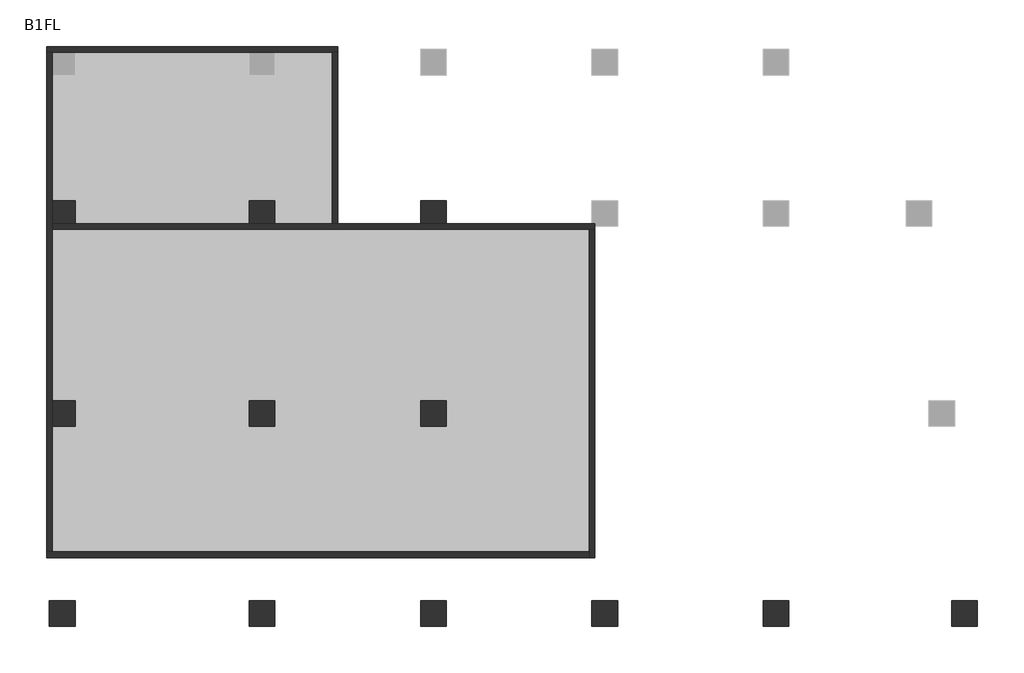
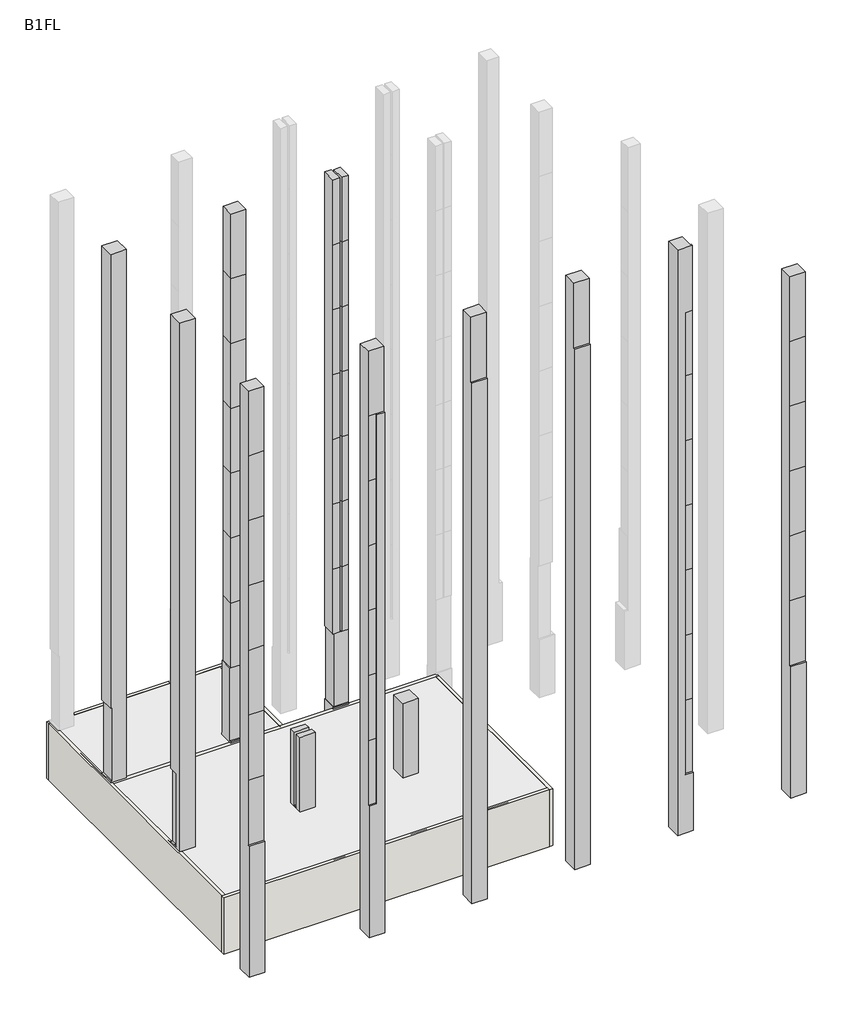
# One storey, part 1 of 2: 12 columns, 6 walls.
"""IFC4 building model written with IfcOpenShell, lengths in millimetres."""

import ifcopenshell
import ifcopenshell.guid

model = None  # the IFC model being written
_history = None  # IfcOwnerHistory: only IFC2X3 demands one
_inside = {}  # id of a spatial element -> (the spatial element, [elements in it])
_under = {}  # id of a project, library or spatial element -> (it, [spatial elements below it])
_declared = {}  # id of a project -> (the project, [libraries it declares])
_typed = {}  # id of a type object -> (the type object, [elements of that type])
_made_of = {}  # id of a material, layer set ... -> (it, [elements and type objects made of it])


def new_model(schema):
    """Start an empty IFC model of exactly this schema.

    Asked for "IFC4X3", IfcOpenShell would pick the latest addendum, in which some entities
    have other attributes; the version numbers below select the first issue.
    IFC2X3 requires an IfcOwnerHistory on every rooted entity: one is made here for all.
    """
    global model, _history
    if schema == "IFC4X3":
        model = ifcopenshell.file(schema_version=(4, 3, 0, 0))
    else:
        model = ifcopenshell.file(schema=schema)
    _inside.clear()
    _under.clear()
    _declared.clear()
    _typed.clear()
    _made_of.clear()
    _history = None
    if model.schema == "IFC2X3":
        org = make("IfcOrganization", Name="unknown")
        user = make(
            "IfcPersonAndOrganization",
            ThePerson=make("IfcPerson", FamilyName="unknown"),
            TheOrganization=org,
        )
        app = make(
            "IfcApplication",
            ApplicationDeveloper=org,
            Version="unknown",
            ApplicationFullName="unknown",
            ApplicationIdentifier="unknown",
        )
        _history = make(
            "IfcOwnerHistory",
            OwningUser=user,
            OwningApplication=app,
            ChangeAction="ADDED",
            CreationDate=0,
        )
    return model


def make(cls, **values):
    """One entity of the class cls with the attributes given. An attribute that is None is left unset."""
    return model.create_entity(
        cls, **{name: value for name, value in values.items() if value is not None}
    )


def rooted(cls, **values):
    """An entity with a GlobalId (a new one), such as an element, a storey or a relation."""
    return make(cls, GlobalId=ifcopenshell.guid.new(), OwnerHistory=_history, **values)


def si_unit(unit_type, name, prefix=None):
    """IfcSIUnit, for example si_unit("LENGTHUNIT", "METRE", prefix="MILLI")."""
    return make("IfcSIUnit", UnitType=unit_type, Prefix=prefix, Name=name)


def assignment(units):
    """IfcUnitAssignment: the units of a project."""
    return None if units is None else make("IfcUnitAssignment", Units=units)


def point(xyz):
    """IfcCartesianPoint."""
    return None if xyz is None else make("IfcCartesianPoint", Coordinates=xyz)


def direction(xyz):
    """IfcDirection."""
    return None if xyz is None else make("IfcDirection", DirectionRatios=xyz)


def frame(location, z_axis=None, x_axis=None):
    """IfcAxis2Placement3D, a coordinate frame: its origin and axes. An axis left out is left unset."""
    return make(
        "IfcAxis2Placement3D",
        Location=point(location),
        Axis=direction(z_axis),
        RefDirection=direction(x_axis),
    )


def origin():
    """The frame at (0, 0, 0) with its axes left unset."""
    return frame((0.0, 0.0, 0.0))


def place(relative_to, where):
    """IfcLocalPlacement: puts the frame where relative to a parent placement (None: the world)."""
    return make(
        "IfcLocalPlacement", PlacementRelTo=relative_to, RelativePlacement=where
    )


def context(
    kind, dimensions, precision=None, world=None, true_north=None, identifier=None
):
    """IfcGeometricRepresentationContext, for example the 3D "Model" context."""
    return make(
        "IfcGeometricRepresentationContext",
        ContextIdentifier=identifier,
        ContextType=kind,
        CoordinateSpaceDimension=dimensions,
        Precision=precision,
        WorldCoordinateSystem=world,
        TrueNorth=true_north,
    )


def project(units=None, contexts=None):
    """IfcProject with its units and contexts."""
    return rooted(
        "IfcProject",
        Name="project",
        RepresentationContexts=contexts,
        UnitsInContext=assignment(units),
    )


def spatial(cls, under=None, at=None, **own):
    """A site, building, storey or space (cls), placed at a placement, below another one or the project."""
    s = rooted(cls, ObjectPlacement=at, **own)
    if under is not None:
        _under.setdefault(under.id(), (under, []))[1].append(s)
    return s


def polyline(points):
    """IfcPolyline through the points."""
    return make("IfcPolyline", Points=[point(p) for p in points])


def outline(outer, holes=None, kind="AREA"):
    """IfcArbitraryClosedProfileDef: a profile drawn as a closed curve; with holes, ...WithVoids."""
    if holes is None:
        return make("IfcArbitraryClosedProfileDef", ProfileType=kind, OuterCurve=outer)
    return make(
        "IfcArbitraryProfileDefWithVoids",
        ProfileType=kind,
        OuterCurve=outer,
        InnerCurves=holes,
    )


def extrude(swept, where, along, depth):
    """IfcExtrudedAreaSolid: the profile swept, set in the frame where, extruded along a direction by depth."""
    return make(
        "IfcExtrudedAreaSolid",
        SweptArea=swept,
        Position=where,
        ExtrudedDirection=direction(along),
        Depth=depth,
    )


def faces_of(points, faces, orient=None, outer=None):
    """IfcFace entities. A face is a list of loops; a loop is a list of indices into points, from 0.

    orient and outer hold one flag for each loop. By default every Orientation is true, the
    first loop of a face is its IfcFaceOuterBound and the others are IfcFaceBound.
    """
    made = []
    for i, loops in enumerate(faces):
        bounds = []
        for j, loop in enumerate(loops):
            is_outer = j == 0 if outer is None else outer[i][j]
            bounds.append(
                make(
                    "IfcFaceOuterBound" if is_outer else "IfcFaceBound",
                    Bound=make("IfcPolyLoop", Polygon=[points[k] for k in loop]),
                    Orientation=True if orient is None else orient[i][j],
                )
            )
        made.append(make("IfcFace", Bounds=bounds))
    return made


def faceted_brep(points, faces, orient=None, outer=None, voids=None):
    """IfcFacetedBrep: a solid bounded by flat faces; with voids (closed shells), ...WithVoids."""
    shared = [point(p) for p in points]
    hull = make("IfcClosedShell", CfsFaces=faces_of(shared, faces, orient, outer))
    if voids is None:
        return make("IfcFacetedBrep", Outer=hull)
    return make(
        "IfcFacetedBrepWithVoids",
        Outer=hull,
        Voids=[
            make(cls, CfsFaces=faces_of(shared, fs, o, b)) for cls, fs, o, b in voids
        ],
    )


def shape(context_of_items, identifier, shape_type, items):
    """IfcShapeRepresentation: the items that make up one representation, for example the "Body"."""
    return make(
        "IfcShapeRepresentation",
        ContextOfItems=context_of_items,
        RepresentationIdentifier=identifier,
        RepresentationType=shape_type,
        Items=items,
    )


def made_of(thing, what):
    """Note that an element or type object is made of a material, layer set ...; save() writes the relation."""
    if what is not None:
        _made_of.setdefault(what.id(), (what, []))[1].append(thing)
    return thing


def element(
    cls,
    number,
    at=None,
    inside=None,
    cuts=None,
    type_object=None,
    material=None,
    context=None,
    identifier="Body",
    shape_type=None,
    held_by="IfcProductDefinitionShape",
    body=None,
    shapes=None,
    **own,
):
    """One element of the class cls, such as IfcWall. Its Tag is "e" and its number.

    at: its placement. inside: the storey or other place that contains it. cuts: it is an
    opening in that element (IfcRelVoidsElement). A single representation is given by context,
    identifier, shape_type and body (its items); several are given by shapes. held_by: the class
    of the entity that holds the representations. save() writes the other relations.
    """
    e = rooted(cls, Tag="e%d" % number, ObjectPlacement=at, **own)
    if body is not None:
        shapes = [shape(context, identifier, shape_type, body)]
    if shapes is not None:
        e.Representation = make(held_by, Representations=shapes)
    if inside is not None:
        _inside.setdefault(inside.id(), (inside, []))[1].append(e)
    if cuts is not None:
        rooted(
            "IfcRelVoidsElement", RelatingBuildingElement=cuts, RelatedOpeningElement=e
        )
    if type_object is not None:
        _typed.setdefault(type_object.id(), (type_object, []))[1].append(e)
    return made_of(e, material)


def aggregate(whole, parts):
    """IfcRelAggregates: a whole, such as a stair, and the parts it consists of."""
    return rooted("IfcRelAggregates", RelatingObject=whole, RelatedObjects=parts)


def save(model, path):
    """Write the relations noted so far, then the file.

    IfcRelAggregates (storeys below a building ...), IfcRelContainedInSpatialStructure (elements
    in a storey), IfcRelDefinesByType, IfcRelAssociatesMaterial and IfcRelDeclares: one each for
    every whole, place, type object, material and project.
    """
    for whole, parts in _under.values():
        aggregate(whole, parts)
    for where, things in _inside.values():
        rooted(
            "IfcRelContainedInSpatialStructure",
            RelatedElements=things,
            RelatingStructure=where,
        )
    for kind, things in _typed.values():
        rooted("IfcRelDefinesByType", RelatedObjects=things, RelatingType=kind)
    for what, things in _made_of.values():
        rooted("IfcRelAssociatesMaterial", RelatedObjects=things, RelatingMaterial=what)
    for by, libraries in _declared.values():
        rooted("IfcRelDeclares", RelatingContext=by, RelatedDefinitions=libraries)
    model.write(path)


model = new_model("IFC4")

# Units and contexts
model_context = context("Model", 3, world=origin())
ifc_project = project(units=[si_unit("LENGTHUNIT", "METRE", prefix="MILLI")], contexts=[model_context])

# Site, building, storey
site = spatial("IfcSite", under=ifc_project)
building = spatial("IfcBuilding", under=site)
storey = spatial("IfcBuildingStorey", under=building, Name="B1FL", Elevation=-3500.0)

# Columns
placement = place(None, origin())
element("IfcColumn", 1, ObjectType="900x900", at=placement, inside=storey, context=model_context, shape_type="Brep", body=[
    faceted_brep([(-27945.9784025, 10449.6868987, 32600.0), (-27945.9784025, 11349.6868987, 32600.0), (-28845.9784025, 11349.6868987, 32600.0), (-28845.9784025, 10449.6868987, 32600.0), (-28745.9784025, 11349.6868987, -3500.0), (-27945.9784025, 11349.6868987, -3500.0), (-27945.9784025, 10549.6868987, -3500.0), (-28745.9784025, 10549.6868987, -3500.0), (-27945.9784025, 10449.6868987, 0.0), (-27945.9784025, 10549.6868987, 0.0), (-27945.9784025, 11349.6868987, 100.0), (-27945.9784025, 11299.6868987, 100.0), (-27945.9784025, 11299.6868987, 4600.0), (-27945.9784025, 11349.6868987, 4600.0), (-28745.9784025, 11349.6868987, 4600.0), (-28845.9784025, 11349.6868987, 4600.0), (-28845.9784025, 10449.6868987, 4600.0), (-28745.9784025, 10449.6868987, 4600.0), (-28745.9784025, 10449.6868987, 100.0), (-28845.9784025, 10449.6868987, 100.0), (-28845.9784025, 10449.6868987, 0.0), (-28745.9784025, 10449.6868987, 0.0), (-28745.9784025, 11299.6868987, 4600.0), (-28745.9784025, 11299.6868987, 100.0), (-28745.9784025, 11349.6868987, 100.0), (-28845.9784025, 11349.6868987, 100.0), (-28845.9784025, 11349.6868987, 0.0), (-28845.9784025, 10549.6868987, 0.0), (-28745.9784025, 11349.6868987, 0.0), (-28745.9784025, 10549.6868987, 0.0)], [[[0, 1, 2, 3]], [[4, 5, 6, 7]], [[1, 0, 8, 9, 6, 5, 10, 11, 12, 13]], [[2, 1, 13, 14, 15]], [[3, 2, 15, 16]], [[0, 3, 16, 17, 18, 19, 20, 21, 8]], [[18, 17, 22, 23]], [[24, 25, 19, 18, 23]], [[15, 14, 22, 17, 16]], [[19, 25, 26, 27, 20]], [[11, 23, 22, 12]], [[23, 11, 10, 24]], [[12, 22, 14, 13]], [[25, 24, 10, 5, 4, 28, 26]], [[28, 4, 7, 29]], [[21, 20, 27, 26, 28, 29]], [[9, 29, 7, 6]], [[29, 9, 8, 21]]]),
])
element("IfcColumn", 2, ObjectType="900x900", at=placement, inside=storey, context=model_context, shape_type="Brep", body=[
    faceted_brep([(-27945.9784025, 3449.6868987, 32600.0), (-27945.9784025, 4349.6868987, 32600.0), (-28845.9784025, 4349.6868987, 32600.0), (-28845.9784025, 3449.6868987, 32600.0), (-27945.9784025, 4349.6868987, -3500.0), (-27945.9784025, 3449.6868987, -3500.0), (-28745.9784025, 3449.6868987, -3500.0), (-28745.9784025, 4349.6868987, -3500.0), (-27945.9784025, 3999.6868987, 4600.0), (-27945.9784025, 3999.6868987, 100.0), (-27945.9784025, 3799.6868987, 100.0), (-27945.9784025, 3799.6868987, 4600.0), (-28745.9784025, 4349.6868987, 0.0), (-28845.9784025, 4349.6868987, 0.0), (-28845.9784025, 4349.6868987, 100.0), (-28745.9784025, 4349.6868987, 100.0), (-28745.9784025, 4349.6868987, 4600.0), (-28845.9784025, 4349.6868987, 4600.0), (-28845.9784025, 3999.6868987, 4600.0), (-28845.9784025, 3799.6868987, 4600.0), (-28845.9784025, 3799.6868987, 100.0), (-28845.9784025, 3999.6868987, 100.0), (-28845.9784025, 3449.6868987, 0.0), (-28745.9784025, 3449.6868987, 0.0), (-28745.9784025, 3999.6868987, 4600.0), (-28745.9784025, 3999.6868987, 100.0)], [[[0, 1, 2, 3]], [[4, 5, 6, 7]], [[1, 0, 5, 4], [8, 9, 10, 11]], [[2, 1, 4, 7, 12, 13, 14, 15, 16, 17]], [[3, 2, 17, 18, 19, 20, 21, 14, 13, 22]], [[0, 3, 22, 23, 6, 5]], [[9, 8, 24, 25]], [[11, 10, 20, 19]], [[10, 9, 25, 21, 20]], [[8, 11, 19, 18, 24]], [[24, 16, 15, 25]], [[25, 15, 14, 21]], [[16, 24, 18, 17]], [[23, 12, 7, 6]], [[12, 23, 22, 13]]]),
])
element("IfcColumn", 3, ObjectType="900x900", at=placement, inside=storey, context=model_context, shape_type="SweptSolid", body=[
    extrude(outline(polyline([(-2650.3131013, -3500.0), (-3550.3131013, -3500.0), (-3550.3131013, 4600.0), (-3450.3131013, 4600.0), (-3450.3131013, 8600.0), (-3450.3131013, 12600.0), (-3450.3131013, 16600.0), (-3450.3131013, 20600.0), (-3450.3131013, 24600.0), (-3450.3131013, 28600.0), (-3450.3131013, 32600.0), (-2650.3131013, 32600.0), (-2650.3131013, -3500.0)])), frame((-28845.9784025, 0.0, 0.0), z_axis=(1.0, 0.0, 0.0), x_axis=(0.0, 1.0, 0.0)), (0.0, 0.0, 1.0), 900.0),
])
element("IfcColumn", 4, ObjectType="900x900", at=placement, inside=storey, context=model_context, shape_type="Brep", body=[
    faceted_brep([(-21795.9784025, 11299.6868987, 32600.0), (-21795.9784025, 10499.6868987, 32600.0), (-20945.9784025, 10499.6868987, 32600.0), (-20945.9784025, 11299.6868987, 32600.0), (-21845.9784025, 11349.6868987, -3500.0), (-20945.9784025, 11349.6868987, -3500.0), (-20945.9784025, 10549.6868987, -3500.0), (-21845.9784025, 10549.6868987, -3500.0), (-20945.9784025, 10499.6868987, 12600.0), (-20945.9784025, 10499.6868987, 8600.0), (-20945.9784025, 10499.6868987, 4600.0), (-20945.9784025, 10524.6868987, 4600.0), (-20945.9784025, 11299.6868987, 4600.0), (-20945.9784025, 11299.6868987, 8600.0), (-20945.9784025, 11299.6868987, 12600.0), (-20945.9784025, 11299.6868987, 16600.0), (-20945.9784025, 11299.6868987, 20600.0), (-20945.9784025, 11299.6868987, 24600.0), (-20945.9784025, 11299.6868987, 28600.0), (-20945.9784025, 10499.6868987, 28600.0), (-20945.9784025, 10499.6868987, 24600.0), (-20945.9784025, 10499.6868987, 20600.0), (-20945.9784025, 10499.6868987, 16600.0), (-21795.9784025, 10499.6868987, 12600.0), (-21795.9784025, 10499.6868987, 8600.0), (-20945.9784025, 10449.6868987, 100.0), (-21845.9784025, 10449.6868987, 100.0), (-21845.9784025, 10449.6868987, 0.0), (-20945.9784025, 10449.6868987, 0.0), (-21795.9784025, 11299.6868987, 12600.0), (-21795.9784025, 11299.6868987, 8600.0), (-21845.9784025, 10524.6868987, 100.0), (-21845.9784025, 10524.6868987, 4600.0), (-21845.9784025, 11299.6868987, 4600.0), (-21845.9784025, 11299.6868987, 100.0), (-21845.9784025, 11349.6868987, 100.0), (-21845.9784025, 10549.6868987, 0.0), (-20945.9784025, 11349.6868987, 100.0), (-21795.9784025, 10499.6868987, 4600.0), (-21795.9784025, 11299.6868987, 4600.0), (-21795.9784025, 10524.6868987, 4600.0), (-20995.9784025, 11299.6868987, 4600.0), (-21795.9784025, 10499.6868987, 16600.0), (-21795.9784025, 11299.6868987, 16600.0), (-21795.9784025, 10499.6868987, 20600.0), (-21795.9784025, 11299.6868987, 20600.0), (-21795.9784025, 10499.6868987, 24600.0), (-21795.9784025, 11299.6868987, 24600.0), (-21795.9784025, 10499.6868987, 28600.0), (-21795.9784025, 11299.6868987, 28600.0), (-20995.9784025, 10524.6868987, 100.0), (-20995.9784025, 10524.6868987, 4600.0), (-20945.9784025, 10524.6868987, 100.0), (-20995.9784025, 11299.6868987, 100.0), (-20945.9784025, 11299.6868987, 100.0), (-20945.9784025, 10549.6868987, 0.0)], [[[0, 1, 2, 3]], [[4, 5, 6, 7]], [[8, 9, 10, 11, 12, 13, 14, 15, 16, 17, 18, 3, 2, 19, 20, 21, 22]], [[9, 8, 23, 24]], [[25, 26, 27, 28]], [[24, 23, 29, 30]], [[31, 32, 33, 34, 35, 4, 7, 36, 27, 26]], [[14, 13, 30, 29]], [[5, 4, 35, 37]], [[10, 9, 24, 38]], [[24, 30, 39, 40, 38]], [[40, 39, 33, 32]], [[13, 12, 41, 39, 30]], [[8, 22, 42, 23]], [[29, 23, 42, 43]], [[15, 14, 29, 43]], [[22, 21, 44, 42]], [[43, 42, 44, 45]], [[16, 15, 43, 45]], [[21, 20, 46, 44]], [[45, 44, 46, 47]], [[17, 16, 45, 47]], [[20, 19, 48, 46]], [[47, 46, 48, 49]], [[18, 17, 47, 49]], [[49, 48, 1, 0]], [[0, 3, 18, 49]], [[2, 1, 48, 19]], [[32, 31, 50, 51, 40]], [[25, 52, 50, 31, 26]], [[11, 10, 38, 40, 51]], [[34, 33, 39, 41, 53]], [[54, 37, 35, 34, 53]], [[50, 53, 41, 51]], [[53, 50, 52, 54]], [[51, 41, 12, 11]], [[52, 25, 28, 55, 6, 5, 37, 54]], [[55, 36, 7, 6]], [[36, 55, 28, 27]]]),
])
element("IfcColumn", 5, ObjectType="900x900", at=placement, inside=storey, context=model_context, shape_type="Brep", body=[
    faceted_brep([(-21845.9784025, 3449.6868987, 4600.0), (-20945.9784025, 3449.6868987, 4600.0), (-20945.9784025, 3799.6868987, 4600.0), (-21845.9784025, 3799.6868987, 4600.0), (-20945.9784025, 3449.6868987, -3500.0), (-21845.9784025, 3449.6868987, -3500.0), (-21845.9784025, 4349.6868987, -3500.0), (-20945.9784025, 4349.6868987, -3500.0), (-20945.9784025, 4349.6868987, 100.0), (-20945.9784025, 3999.6868987, 100.0), (-20945.9784025, 3799.6868987, 100.0), (-21845.9784025, 4349.6868987, 4600.0), (-21020.9784025, 4349.6868987, 4600.0), (-21020.9784025, 4349.6868987, 100.0), (-21845.9784025, 3799.6868987, 100.0), (-21845.9784025, 3999.6868987, 100.0), (-21845.9784025, 3999.6868987, 4600.0), (-21020.9784025, 3999.6868987, 100.0), (-21020.9784025, 3999.6868987, 4600.0)], [[[0, 1, 2, 3]], [[4, 5, 6, 7]], [[4, 7, 8, 9, 10, 2, 1]], [[7, 6, 11, 12, 13, 8]], [[6, 5, 0, 3, 14, 15, 16, 11]], [[1, 0, 5, 4]], [[16, 15, 17, 18]], [[3, 2, 10, 14]], [[10, 9, 17, 15, 14]], [[11, 16, 18, 12]], [[17, 13, 12, 18]], [[13, 17, 9, 8]]]),
])
element("IfcColumn", 6, ObjectType="900x900", at=placement, inside=storey, context=model_context, shape_type="Brep", body=[
    faceted_brep([(-20945.9784025, -2650.3131013, 32600.0), (-21845.9784025, -2650.3131013, 32600.0), (-21845.9784025, -3450.3131013, 32600.0), (-20945.9784025, -3450.3131013, 32600.0), (-20945.9784025, -3550.3131013, -3500.0), (-21845.9784025, -3550.3131013, -3500.0), (-21845.9784025, -2650.3131013, -3500.0), (-20945.9784025, -2650.3131013, -3500.0), (-20945.9784025, -3450.3131013, 28600.0), (-20945.9784025, -3550.3131013, 28600.0), (-21845.9784025, -3550.3131013, 4600.0), (-21845.9784025, -3450.3131013, 4600.0), (-21845.9784025, -3450.3131013, 8600.0), (-21845.9784025, -3450.3131013, 12600.0), (-21845.9784025, -3450.3131013, 16600.0), (-21845.9784025, -3450.3131013, 20600.0), (-21845.9784025, -3450.3131013, 24600.0), (-21845.9784025, -3450.3131013, 28600.0), (-21395.9784025, -3550.3131013, 28600.0), (-21395.9784025, -3550.3131013, 24600.0), (-21395.9784025, -3550.3131013, 20600.0), (-21395.9784025, -3550.3131013, 16600.0), (-21395.9784025, -3550.3131013, 12600.0), (-21395.9784025, -3550.3131013, 8600.0), (-21395.9784025, -3550.3131013, 4600.0), (-21395.9784025, -3450.3131013, 8600.0), (-21395.9784025, -3450.3131013, 12600.0), (-21395.9784025, -3450.3131013, 16600.0), (-21395.9784025, -3450.3131013, 20600.0), (-21395.9784025, -3450.3131013, 24600.0), (-21395.9784025, -3450.3131013, 28600.0), (-21395.9784025, -3450.3131013, 4600.0)], [[[0, 1, 2, 3]], [[4, 5, 6, 7]], [[4, 7, 0, 3, 8, 9]], [[1, 0, 7, 6]], [[6, 5, 10, 11, 12, 13, 14, 15, 16, 17, 2, 1]], [[5, 4, 9, 18, 19, 20, 21, 22, 23, 24, 10]], [[25, 26, 13, 12]], [[26, 25, 23, 22]], [[26, 27, 14, 13]], [[27, 26, 22, 21]], [[27, 28, 15, 14]], [[28, 27, 21, 20]], [[28, 29, 16, 15]], [[29, 28, 20, 19]], [[29, 30, 17, 16]], [[30, 29, 19, 18]], [[31, 25, 12, 11]], [[31, 11, 10, 24]], [[25, 31, 24, 23]], [[30, 8, 3, 2, 17]], [[8, 30, 18, 9]]]),
])
element("IfcColumn", 7, ObjectType="900x900", at=placement, inside=storey, context=model_context, shape_type="Brep", body=[
    faceted_brep([(-15345.9784025, 11299.6868987, 32600.0), (-15345.9784025, 10499.6868987, 32600.0), (-14945.9784025, 10499.6868987, 32600.0), (-14945.9784025, 11299.6868987, 32600.0), (-15845.9784025, 11349.6868987, -3500.0), (-14945.9784025, 11349.6868987, -3500.0), (-14945.9784025, 10549.6868987, -3500.0), (-15845.9784025, 10549.6868987, -3500.0), (-14945.9784025, 10499.6868987, 12600.0), (-14945.9784025, 10499.6868987, 8600.0), (-14945.9784025, 10499.6868987, 4600.0), (-14945.9784025, 10524.6868987, 4600.0), (-14945.9784025, 10524.6868987, 100.0), (-14945.9784025, 10449.6868987, 100.0), (-14945.9784025, 10449.6868987, 0.0), (-14945.9784025, 10549.6868987, 0.0), (-14945.9784025, 11349.6868987, 100.0), (-14945.9784025, 11299.6868987, 100.0), (-14945.9784025, 11299.6868987, 4600.0), (-14945.9784025, 11299.6868987, 8600.0), (-14945.9784025, 11299.6868987, 12600.0), (-14945.9784025, 11299.6868987, 16600.0), (-14945.9784025, 11299.6868987, 20600.0), (-14945.9784025, 11299.6868987, 24600.0), (-14945.9784025, 11299.6868987, 28600.0), (-14945.9784025, 10499.6868987, 28600.0), (-14945.9784025, 10499.6868987, 24600.0), (-14945.9784025, 10499.6868987, 20600.0), (-14945.9784025, 10499.6868987, 16600.0), (-15845.9784025, 10499.6868987, 8600.0), (-15845.9784025, 10499.6868987, 12600.0), (-15845.9784025, 10499.6868987, 16600.0), (-15845.9784025, 10499.6868987, 20600.0), (-15845.9784025, 10499.6868987, 24600.0), (-15845.9784025, 10499.6868987, 28600.0), (-15845.9784025, 10499.6868987, 32600.0), (-15845.9784025, 11349.6868987, 32600.0), (-15845.9784025, 11349.6868987, 4600.0), (-15845.9784025, 11299.6868987, 4600.0), (-15845.9784025, 10524.6868987, 4600.0), (-15845.9784025, 10499.6868987, 4600.0), (-15345.9784025, 10499.6868987, 12600.0), (-15345.9784025, 10499.6868987, 8600.0), (-15845.9784025, 10449.6868987, 100.0), (-15845.9784025, 10449.6868987, 0.0), (-15345.9784025, 11299.6868987, 12600.0), (-15345.9784025, 11299.6868987, 8600.0), (-15445.9784025, 11349.6868987, 8600.0), (-15445.9784025, 11349.6868987, 12600.0), (-15445.9784025, 10499.6868987, 12600.0), (-15445.9784025, 10499.6868987, 8600.0), (-15345.9784025, 10499.6868987, 4600.0), (-15345.9784025, 11299.6868987, 4600.0), (-15345.9784025, 10524.6868987, 4600.0), (-15445.9784025, 11349.6868987, 4600.0), (-15445.9784025, 10499.6868987, 4600.0), (-15445.9784025, 10524.6868987, 4600.0), (-15445.9784025, 11299.6868987, 4600.0), (-15345.9784025, 10499.6868987, 16600.0), (-15345.9784025, 11299.6868987, 16600.0), (-15445.9784025, 11349.6868987, 16600.0), (-15445.9784025, 10499.6868987, 16600.0), (-15345.9784025, 10499.6868987, 20600.0), (-15345.9784025, 11299.6868987, 20600.0), (-15445.9784025, 11349.6868987, 20600.0), (-15445.9784025, 10499.6868987, 20600.0), (-15345.9784025, 10499.6868987, 24600.0), (-15345.9784025, 11299.6868987, 24600.0), (-15445.9784025, 11349.6868987, 24600.0), (-15445.9784025, 10499.6868987, 24600.0), (-15345.9784025, 10499.6868987, 28600.0), (-15345.9784025, 11299.6868987, 28600.0), (-15445.9784025, 11349.6868987, 28600.0), (-15445.9784025, 10499.6868987, 28600.0), (-15445.9784025, 11349.6868987, 32600.0), (-15445.9784025, 10499.6868987, 32600.0), (-15795.9784025, 10524.6868987, 4600.0), (-15795.9784025, 10524.6868987, 100.0), (-15845.9784025, 10524.6868987, 100.0), (-15795.9784025, 11299.6868987, 4600.0), (-15795.9784025, 11299.6868987, 100.0), (-15845.9784025, 11299.6868987, 100.0), (-15845.9784025, 11349.6868987, 100.0), (-15845.9784025, 10549.6868987, 0.0)], [[[0, 1, 2, 3]], [[4, 5, 6, 7]], [[8, 9, 10, 11, 12, 13, 14, 15, 6, 5, 16, 17, 18, 19, 20, 21, 22, 23, 24, 3, 2, 25, 26, 27, 28]], [[29, 30, 31, 32, 33, 34, 35, 36, 37, 38, 39, 40]], [[9, 8, 41, 42]], [[13, 43, 44, 14]], [[42, 41, 45, 46]], [[47, 48, 49, 50]], [[30, 29, 50, 49]], [[20, 19, 46, 45]], [[10, 9, 42, 51]], [[42, 46, 52, 53, 51]], [[54, 47, 50, 55, 56, 57]], [[53, 52, 57, 56]], [[29, 40, 55, 50]], [[19, 18, 52, 46]], [[8, 28, 58, 41]], [[45, 41, 58, 59]], [[48, 60, 61, 49]], [[31, 30, 49, 61]], [[21, 20, 45, 59]], [[28, 27, 62, 58]], [[59, 58, 62, 63]], [[60, 64, 65, 61]], [[32, 31, 61, 65]], [[22, 21, 59, 63]], [[27, 26, 66, 62]], [[63, 62, 66, 67]], [[64, 68, 69, 65]], [[33, 32, 65, 69]], [[23, 22, 63, 67]], [[26, 25, 70, 66]], [[67, 66, 70, 71]], [[68, 72, 73, 69]], [[34, 33, 69, 73]], [[24, 23, 67, 71]], [[71, 70, 1, 0]], [[74, 75, 73, 72]], [[48, 47, 54, 37, 36, 74, 72, 68, 64, 60]], [[0, 3, 24, 71]], [[2, 1, 70, 25]], [[74, 36, 35, 75]], [[75, 35, 34, 73]], [[11, 53, 56, 76, 77, 12]], [[13, 12, 77, 78, 43]], [[40, 39, 76, 56, 55]], [[53, 11, 10, 51]], [[76, 79, 80, 77]], [[77, 80, 81, 78]], [[79, 76, 39, 38]], [[79, 57, 52, 18, 17, 80]], [[80, 17, 16, 82, 81]], [[57, 79, 38, 37, 54]], [[43, 78, 81, 82, 4, 7, 83, 44]], [[5, 4, 82, 16]], [[15, 83, 7, 6]], [[83, 15, 14, 44]]]),
])
element("IfcColumn", 8, ObjectType="900x900", at=placement, inside=storey, context=model_context, shape_type="SweptSolid", body=[
    extrude(outline(polyline([(-14945.9784025, 3449.6868987), (-15845.9784025, 3449.6868987), (-15845.9784025, 4349.6868987), (-14945.9784025, 4349.6868987), (-14945.9784025, 3449.6868987)])), frame((0.0, 0.0, -3500.0), z_axis=(0.0, 0.0, 1.0), x_axis=(1.0, 0.0, 0.0)), (0.0, 0.0, 1.0), 8100.0),
])
element("IfcColumn", 9, ObjectType="900x900", at=placement, inside=storey, context=model_context, shape_type="SweptSolid", body=[
    extrude(outline(polyline([(-2650.3131013, -3500.0), (-3550.3131013, -3500.0), (-3550.3131013, 28600.0), (-3450.3131013, 28600.0), (-3450.3131013, 32600.0), (-2650.3131013, 32600.0), (-2650.3131013, -3500.0)])), frame((-15845.9784025, 0.0, 0.0), z_axis=(1.0, 0.0, 0.0), x_axis=(0.0, 1.0, 0.0)), (0.0, 0.0, 1.0), 900.0),
])
element("IfcColumn", 10, ObjectType="900x900", at=placement, inside=storey, context=model_context, shape_type="SweptSolid", body=[
    extrude(outline(polyline([(-2650.3131013, -3500.0), (-3550.3131013, -3500.0), (-3550.3131013, 28600.0), (-3450.3131013, 28600.0), (-3450.3131013, 32600.0), (-2650.3131013, 32600.0), (-2650.3131013, -3500.0)])), frame((-9845.9784025, 0.0, 0.0), z_axis=(1.0, 0.0, 0.0), x_axis=(0.0, 1.0, 0.0)), (0.0, 0.0, 1.0), 900.0),
])
element("IfcColumn", 11, ObjectType="900x900", at=placement, inside=storey, context=model_context, shape_type="Brep", body=[
    faceted_brep([(-3845.9784025, -2650.3131013, 32600.0), (-3845.9784025, -3550.3131013, 32600.0), (-2995.9784025, -3550.3131013, 32600.0), (-2995.9784025, -3450.3131013, 32600.0), (-3045.9784025, -3450.3131013, 32600.0), (-3045.9784025, -2650.3131013, 32600.0), (-2945.9784025, -3550.3131013, -3500.0), (-3845.9784025, -3550.3131013, -3500.0), (-3845.9784025, -2650.3131013, -3500.0), (-2945.9784025, -2650.3131013, -3500.0), (-2945.9784025, -2650.3131013, 28600.0), (-2945.9784025, -3450.3131013, 28600.0), (-2945.9784025, -3450.3131013, 24600.0), (-2945.9784025, -3450.3131013, 20600.0), (-2945.9784025, -3450.3131013, 16600.0), (-2945.9784025, -3450.3131013, 12600.0), (-2945.9784025, -3450.3131013, 8600.0), (-2945.9784025, -3450.3131013, 4600.0), (-2945.9784025, -3450.3131013, 100.0), (-2945.9784025, -3550.3131013, 100.0), (-3045.9784025, -2650.3131013, 28600.0), (-3395.9784025, -3550.3131013, 100.0), (-3395.9784025, -3550.3131013, 4600.0), (-3395.9784025, -3550.3131013, 8600.0), (-3395.9784025, -3550.3131013, 12600.0), (-3395.9784025, -3550.3131013, 16600.0), (-3395.9784025, -3550.3131013, 20600.0), (-3395.9784025, -3550.3131013, 24600.0), (-3395.9784025, -3550.3131013, 28600.0), (-2995.9784025, -3550.3131013, 28600.0), (-3395.9784025, -3450.3131013, 12600.0), (-3395.9784025, -3450.3131013, 8600.0), (-3395.9784025, -3450.3131013, 16600.0), (-3395.9784025, -3450.3131013, 20600.0), (-3395.9784025, -3450.3131013, 24600.0), (-3395.9784025, -3450.3131013, 28600.0), (-2995.9784025, -3450.3131013, 28600.0), (-3045.9784025, -3450.3131013, 28600.0), (-3045.9784025, -3450.3131013, 28600.0), (-3395.9784025, -3450.3131013, 100.0), (-3395.9784025, -3450.3131013, 4600.0)], [[[0, 1, 2, 3, 4, 5]], [[6, 7, 8, 9]], [[6, 9, 10, 11, 12, 13, 14, 15, 16, 17, 18, 19]], [[9, 8, 0, 5, 20, 10]], [[1, 0, 8, 7]], [[7, 6, 19, 21, 22, 23, 24, 25, 26, 27, 28, 29, 2, 1]], [[30, 31, 16, 15]], [[32, 30, 15, 14]], [[33, 32, 14, 13]], [[34, 33, 13, 12]], [[35, 34, 12, 11, 36, 37]], [[28, 35, 37, 36, 29]], [[5, 4, 38, 20]], [[11, 10, 20, 38, 36]], [[39, 18, 17, 40]], [[18, 39, 21, 19]], [[31, 30, 24, 23]], [[30, 32, 25, 24]], [[32, 33, 26, 25]], [[33, 34, 27, 26]], [[34, 35, 28, 27]], [[31, 40, 17, 16]], [[40, 31, 23, 22]], [[39, 40, 22, 21]], [[3, 2, 29, 36]], [[38, 4, 3, 36]]]),
])
element("IfcColumn", 12, ObjectType="900x900", at=placement, inside=storey, context=model_context, shape_type="SweptSolid", body=[
    extrude(outline(polyline([(-2650.3131013, -3500.0), (-3550.3131013, -3500.0), (-3550.3131013, 4600.0), (-3450.3131013, 4600.0), (-3450.3131013, 8600.0), (-3450.3131013, 12600.0), (-3450.3131013, 16600.0), (-3450.3131013, 20600.0), (-3450.3131013, 24600.0), (-3450.3131013, 28600.0), (-2650.3131013, 28600.0), (-2650.3131013, -3500.0)])), frame((2754.0215975, 0.0, 0.0), z_axis=(1.0, 0.0, 0.0), x_axis=(0.0, 1.0, 0.0)), (0.0, 0.0, 1.0), 900.0),
])

# Walls
element("IfcWall", 13, at=placement, inside=storey, context=model_context, shape_type="Brep", body=[
    faceted_brep([(-28945.9784025, 16549.6868987, -3500.0), (-28745.9784025, 16549.6868987, -3500.0), (-27945.9784025, 16549.6868987, -3500.0), (-21845.9784025, 16549.6868987, -3500.0), (-20945.9784025, 16549.6868987, -3500.0), (-18945.9784025, 16549.6868987, -3500.0), (-18745.9784025, 16549.6868987, -3500.0), (-18745.9784025, 16549.6868987, 0.0), (-18945.9784025, 16549.6868987, 0.0), (-20945.9784025, 16549.6868987, 0.0), (-21845.9784025, 16549.6868987, 0.0), (-27945.9784025, 16549.6868987, 0.0), (-28745.9784025, 16549.6868987, 0.0), (-28945.9784025, 16549.6868987, 0.0), (-28945.9784025, 16749.6868987, -3500.0), (-28945.9784025, 16749.6868987, 0.0), (-18745.9784025, 16749.6868987, 0.0), (-18745.9784025, 16749.6868987, -3500.0)], [[[0, 1, 2, 3, 4, 5, 6, 7, 8, 9, 10, 11, 12, 13]], [[14, 15, 16, 17]], [[6, 5, 4, 3, 2, 1, 0, 14, 17]], [[13, 12, 11, 10, 9, 8, 7, 16, 15]], [[7, 6, 17, 16]], [[0, 13, 15, 14]]]),
])
element("IfcWall", 14, at=placement, inside=storey, context=model_context, shape_type="SweptSolid", body=[
    extrude(outline(polyline([(-18945.9784025, 10449.6868987), (-18945.9784025, 16549.6868987), (-18745.9784025, 16549.6868987), (-18745.9784025, 10449.6868987), (-18945.9784025, 10449.6868987)])), frame((0.0, 0.0, -3500.0), z_axis=(0.0, 0.0, 1.0), x_axis=(1.0, 0.0, 0.0)), (0.0, 0.0, 1.0), 3500.0),
])
element("IfcWall", 15, at=placement, inside=storey, context=model_context, shape_type="Brep", body=[
    faceted_brep([(-28845.9784025, 10349.6868987, -3500.0), (-9945.9784025, 10349.6868987, -3500.0), (-9745.9784025, 10349.6868987, -3500.0), (-9745.9784025, 10349.6868987, 0.0), (-9945.9784025, 10349.6868987, 0.0), (-28845.9784025, 10349.6868987, 0.0), (-28845.9784025, 10549.6868987, -3500.0), (-28845.9784025, 10549.6868987, 0.0), (-28745.9784025, 10549.6868987, 0.0), (-27945.9784025, 10549.6868987, 0.0), (-21845.9784025, 10549.6868987, 0.0), (-20945.9784025, 10549.6868987, 0.0), (-15845.9784025, 10549.6868987, 0.0), (-14945.9784025, 10549.6868987, 0.0), (-9845.9784025, 10549.6868987, 0.0), (-9745.9784025, 10549.6868987, 0.0), (-9745.9784025, 10549.6868987, -3500.0), (-9845.9784025, 10549.6868987, -3500.0), (-14945.9784025, 10549.6868987, -3500.0), (-15845.9784025, 10549.6868987, -3500.0), (-20945.9784025, 10549.6868987, -3500.0), (-21845.9784025, 10549.6868987, -3500.0), (-27945.9784025, 10549.6868987, -3500.0), (-28745.9784025, 10549.6868987, -3500.0), (-9745.9784025, 10449.6868987, -3500.0), (-9745.9784025, 10449.6868987, 0.0), (-28845.9784025, 10449.6868987, 0.0)], [[[0, 1, 2, 3, 4, 5]], [[6, 7, 8, 9, 10, 11, 12, 13, 14, 15, 16, 17, 18, 19, 20, 21, 22, 23]], [[2, 1, 0, 6, 23, 22, 21, 20, 19, 18, 17, 16, 24]], [[5, 4, 3, 25, 15, 14, 13, 12, 11, 10, 9, 8, 7, 26]], [[0, 5, 26, 7, 6]], [[3, 2, 24, 16, 15, 25]]]),
])
element("IfcWall", 16, at=placement, inside=storey, context=model_context, shape_type="Brep", body=[
    faceted_brep([(-9945.9784025, 10349.6868987, -3500.0), (-9945.9784025, -950.3131013, -3500.0), (-9945.9784025, -1150.3131013, -3500.0), (-9945.9784025, -1150.3131013, 0.0), (-9945.9784025, -950.3131013, 0.0), (-9945.9784025, 10349.6868987, 0.0), (-9745.9784025, 10349.6868987, -3500.0), (-9745.9784025, 10349.6868987, 0.0), (-9745.9784025, -1150.3131013, 0.0), (-9745.9784025, -1150.3131013, -3500.0)], [[[0, 1, 2, 3, 4, 5]], [[6, 7, 8, 9]], [[2, 1, 0, 6, 9]], [[5, 4, 3, 8, 7]], [[0, 5, 7, 6]], [[3, 2, 9, 8]]]),
])
element("IfcWall", 17, at=placement, inside=storey, context=model_context, shape_type="Brep", body=[
    faceted_brep([(-9945.9784025, -950.3131013, -3500.0), (-28745.9784025, -950.3131013, -3500.0), (-28945.9784025, -950.3131013, -3500.0), (-28945.9784025, -950.3131013, 0.0), (-28745.9784025, -950.3131013, 0.0), (-9945.9784025, -950.3131013, 0.0), (-9945.9784025, -1150.3131013, -3500.0), (-9945.9784025, -1150.3131013, 0.0), (-28945.9784025, -1150.3131013, 0.0), (-28945.9784025, -1150.3131013, -3500.0)], [[[0, 1, 2, 3, 4, 5]], [[6, 7, 8, 9]], [[2, 1, 0, 6, 9]], [[5, 4, 3, 8, 7]], [[0, 5, 7, 6]], [[3, 2, 9, 8]]]),
])
element("IfcWall", 18, at=placement, inside=storey, context=model_context, shape_type="Brep", body=[
    faceted_brep([(-28745.9784025, -950.3131013, -3500.0), (-28745.9784025, 3449.6868987, -3500.0), (-28745.9784025, 4349.6868987, -3500.0), (-28745.9784025, 10549.6868987, -3500.0), (-28745.9784025, 11349.6868987, -3500.0), (-28745.9784025, 15749.6868987, -3500.0), (-28745.9784025, 16549.6868987, -3500.0), (-28745.9784025, 16549.6868987, 0.0), (-28745.9784025, 15749.6868987, 0.0), (-28745.9784025, 11349.6868987, 0.0), (-28745.9784025, 10549.6868987, 0.0), (-28745.9784025, 4349.6868987, 0.0), (-28745.9784025, 3449.6868987, 0.0), (-28745.9784025, -950.3131013, 0.0), (-28945.9784025, -950.3131013, -3500.0), (-28945.9784025, -950.3131013, 0.0), (-28945.9784025, 16549.6868987, 0.0), (-28945.9784025, 16549.6868987, -3500.0)], [[[0, 1, 2, 3, 4, 5, 6, 7, 8, 9, 10, 11, 12, 13]], [[14, 15, 16, 17]], [[6, 5, 4, 3, 2, 1, 0, 14, 17]], [[13, 12, 11, 10, 9, 8, 7, 16, 15]], [[7, 6, 17, 16]], [[0, 13, 15, 14]]]),
])

save(model, "model.ifc")
